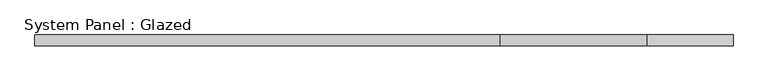
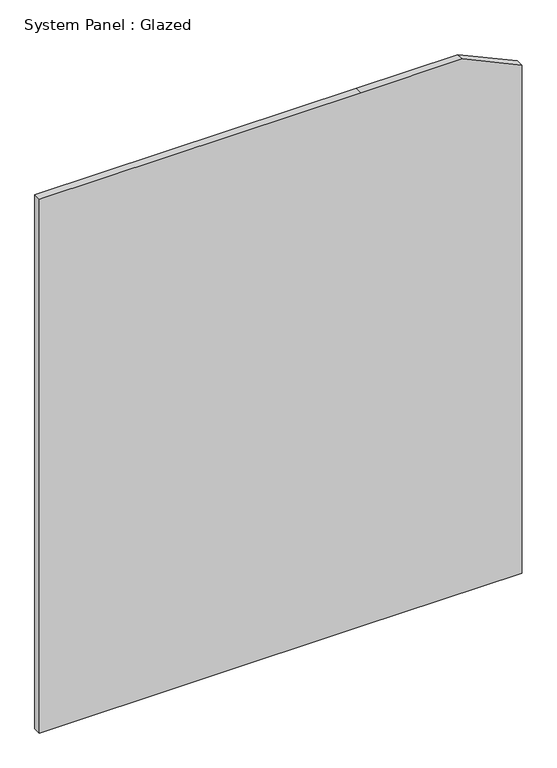
"""IFC4 building model written with IfcOpenShell, lengths in millimetres: plate geometry, System Panel : Glazed."""

from ifc_helpers import new_model, si_unit, frame, origin, place, context, project, spatial, polyline, outline, extrude, source, transform, mapped, element, save


def system_panel_glazed_9b8f9b7f(model_context):
    return source(origin(), model_context, "Body", "SweptSolid", [
        extrude(outline(polyline([(0.0, -796.1842107), (0.0, 265.3947369), (0.0, 796.1842107), (1771.0143391, 796.1842107), (1861.6666667, 600.7708195), (1861.6666667, 265.3947369), (1861.6666667, -796.1842107), (0.0, -796.1842107)])), frame((0.0, 52.5, 0.0), z_axis=(0.0, 1.0, 0.0), x_axis=(0.0, 0.0, 1.0)), (0.0, 0.0, 1.0), 25.0),
    ])


if __name__ == "__main__":
    model = new_model("IFC4")
    model_context = context("Model", 3, world=origin())
    ifc_project = project(units=[si_unit("LENGTHUNIT", "METRE", prefix="MILLI")], contexts=[model_context])
    site = spatial("IfcSite", under=ifc_project)
    building = spatial("IfcBuilding", under=site)
    placement = place(None, origin())
    system_panel_glazed_shape = system_panel_glazed_9b8f9b7f(model_context)
    element("IfcPlate", 1, ObjectType="System Panel : Glazed", at=placement, inside=building, context=model_context, shape_type="MappedRepresentation", body=[
        mapped(system_panel_glazed_shape, transform((0.0, 0.0, 0.0), x_axis=(1.0, 0.0, 0.0), y_axis=(0.0, 1.0, 0.0), z_axis=(0.0, 0.0, 1.0))),
    ])
    save(model, "model.ifc")
